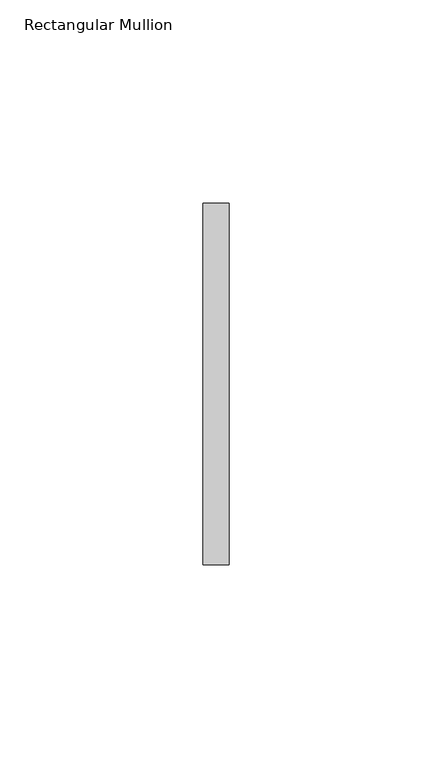
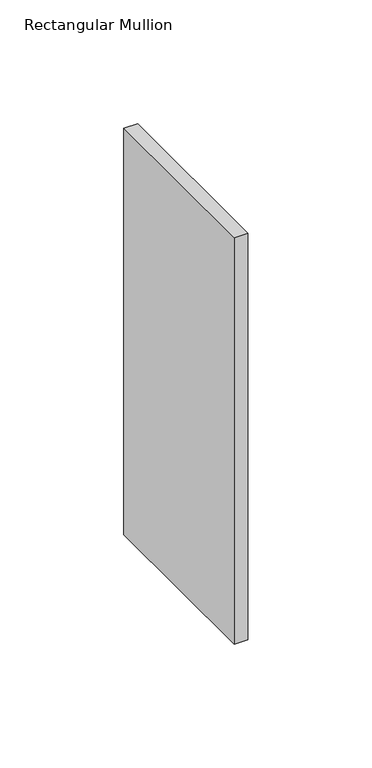
"""IFC4 building model written with IfcOpenShell, lengths in millimetres: member geometry, Rectangular Mullion."""

from ifc_helpers import new_model, si_unit, frame, origin, place, context, project, spatial, polyline, outline, extrude, source, transform, mapped, element, save


def rectangular_mullion_7e1ff54e(model_context):
    return source(origin(), model_context, "Body", "SweptSolid", [
        extrude(outline(polyline([(0.0, 44.45), (0.0, -44.45), (-6.35, -44.45), (-6.35, 44.45), (0.0, 44.45)])), frame((0.0, 0.0, -200.0250003), z_axis=(0.0, 0.0, 1.0), x_axis=(1.0, 0.0, 0.0)), (0.0, 0.0, 1.0), 200.0250003),
    ])


if __name__ == "__main__":
    model = new_model("IFC4")
    model_context = context("Model", 3, world=origin())
    ifc_project = project(units=[si_unit("LENGTHUNIT", "METRE", prefix="MILLI")], contexts=[model_context])
    site = spatial("IfcSite", under=ifc_project)
    building = spatial("IfcBuilding", under=site)
    placement = place(None, origin())
    rectangular_mullion_shape = rectangular_mullion_7e1ff54e(model_context)
    element("IfcMember", 1, ObjectType="Rectangular Mullion", at=placement, inside=building, context=model_context, shape_type="MappedRepresentation", body=[
        mapped(rectangular_mullion_shape, transform((0.0, 0.0, 0.0), x_axis=(1.0, 0.0, 0.0), y_axis=(0.0, 1.0, 0.0), z_axis=(0.0, 0.0, 1.0))),
    ])
    save(model, "model.ifc")
